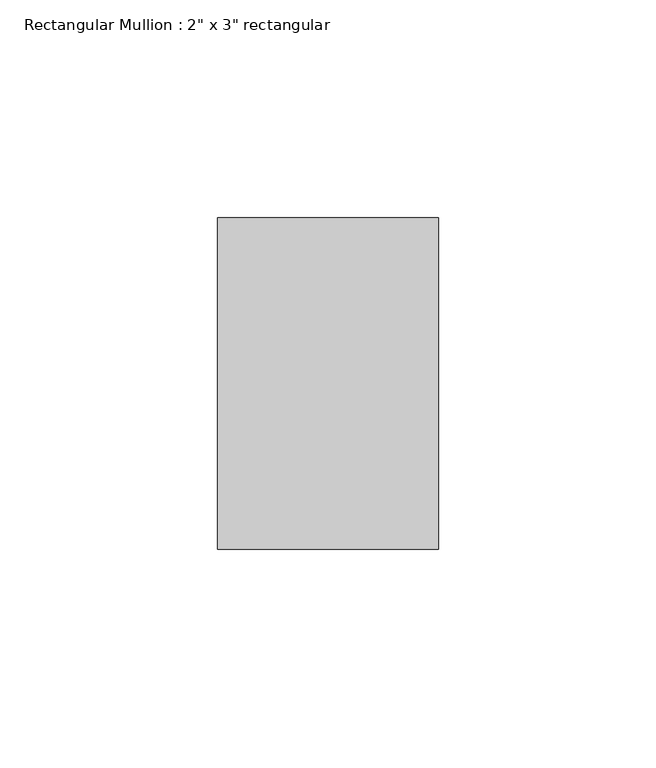
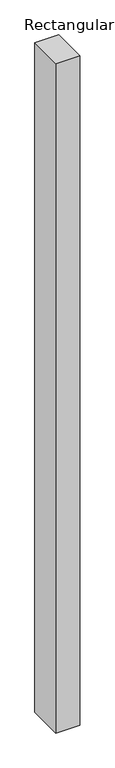
"""IFC4 building model written with IfcOpenShell, lengths in millimetres: member geometry."""

from ifc_helpers import new_model, si_unit, frame, origin, place, context, project, spatial, polyline, outline, extrude, source, transform, mapped, element, save


def member_eabc02f3(model_context):
    return source(origin(), model_context, "Body", "SweptSolid", [
        extrude(outline(polyline([(0.0, 38.1), (0.0, -38.1), (-50.8, -38.1), (-50.8, 38.1), (0.0, 38.1)])), frame((0.0, 0.0, -1498.6), z_axis=(0.0, 0.0, 1.0), x_axis=(1.0, 0.0, 0.0)), (0.0, 0.0, 1.0), 1498.6),
    ])


if __name__ == "__main__":
    model = new_model("IFC4")
    model_context = context("Model", 3, world=origin())
    ifc_project = project(units=[si_unit("LENGTHUNIT", "METRE", prefix="MILLI")], contexts=[model_context])
    site = spatial("IfcSite", under=ifc_project)
    building = spatial("IfcBuilding", under=site)
    placement = place(None, origin())
    member_shape = member_eabc02f3(model_context)
    element("IfcMember", 1, ObjectType="Rectangular Mullion : 2\" x 3\" rectangular", at=placement, inside=building, context=model_context, shape_type="MappedRepresentation", body=[
        mapped(member_shape, transform((0.0, 0.0, 0.0), x_axis=(1.0, 0.0, 0.0), y_axis=(0.0, 1.0, 0.0), z_axis=(0.0, 0.0, 1.0))),
    ])
    save(model, "model.ifc")
